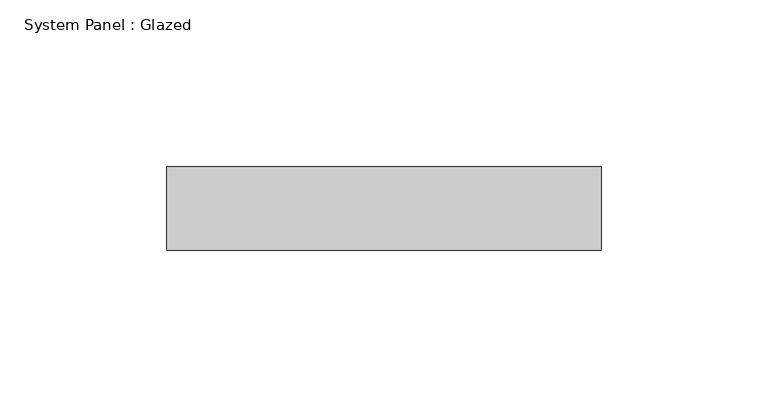
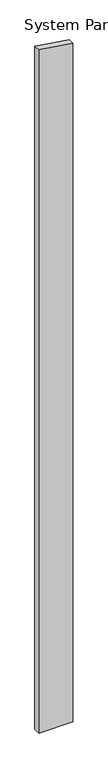
"""IFC4 building model written with IfcOpenShell, lengths in millimetres: plate geometry, System Panel : Glazed."""

from ifc_helpers import new_model, si_unit, frame, origin, place, context, project, spatial, polyline, outline, extrude, source, transform, mapped, element, save


def system_panel_glazed_0add99ef(model_context):
    return source(origin(), model_context, "Body", "SweptSolid", [
        extrude(outline(polyline([(0.0, -65.0), (0.0, 65.0), (2734.6131641, 65.0), (2753.848695, -65.0), (0.0, -65.0)])), frame((0.0, 24.5, 0.0), z_axis=(0.0, 1.0, 0.0), x_axis=(0.0, 0.0, 1.0)), (0.0, 0.0, 1.0), 25.0),
    ])


if __name__ == "__main__":
    model = new_model("IFC4")
    model_context = context("Model", 3, world=origin())
    ifc_project = project(units=[si_unit("LENGTHUNIT", "METRE", prefix="MILLI")], contexts=[model_context])
    site = spatial("IfcSite", under=ifc_project)
    building = spatial("IfcBuilding", under=site)
    placement = place(None, origin())
    system_panel_glazed_shape = system_panel_glazed_0add99ef(model_context)
    element("IfcPlate", 1, ObjectType="System Panel : Glazed", at=placement, inside=building, context=model_context, shape_type="MappedRepresentation", body=[
        mapped(system_panel_glazed_shape, transform((0.0, 0.0, 0.0), x_axis=(1.0, 0.0, 0.0), y_axis=(0.0, 1.0, 0.0), z_axis=(0.0, 0.0, 1.0))),
    ])
    save(model, "model.ifc")
